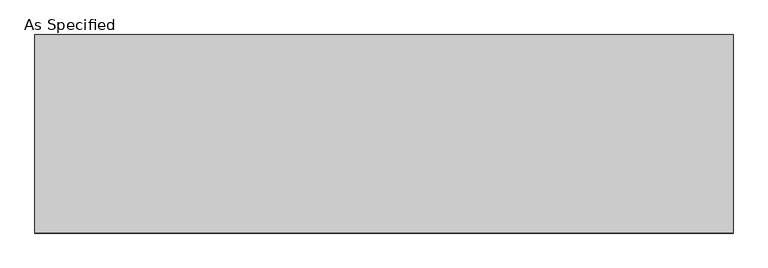
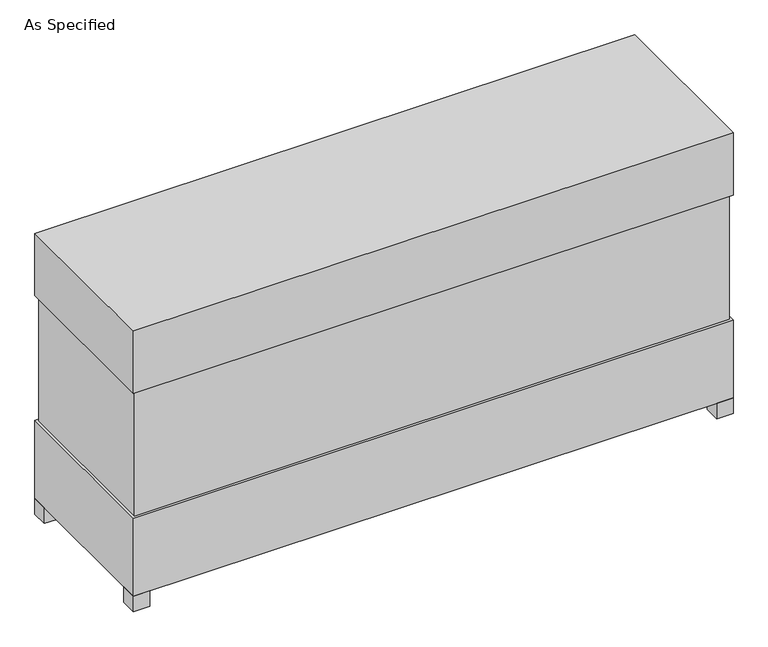
"""IFC4 building model written with IfcOpenShell, lengths in millimetres: proxy geometry, As Specified."""

from ifc_helpers import new_model, si_unit, frame, origin, origin_with_axes, place, context, project, spatial, polyline, outline, extrude, source, transform, mapped, element, save


def as_specified_3bed8170(model_context):
    return source(origin(), model_context, "Body", "SweptSolid", [
        extrude(outline(polyline([(1373.1875, 382.5875), (1373.1875, -382.5875), (-1373.1875, -382.5875), (-1373.1875, 382.5875), (1373.1875, 382.5875)])), frame((0.0, 0.0, 457.2), z_axis=(0.0, 0.0, 1.0), x_axis=(1.0, 0.0, 0.0)), (0.0, 0.0, 1.0), 609.6),
        extrude(outline(polyline([(1384.3, 393.7), (1384.3, -393.7), (-1384.3, -393.7), (-1384.3, 393.7), (1384.3, 393.7)])), frame((0.0, 0.0, 1066.8), z_axis=(0.0, 0.0, 1.0), x_axis=(1.0, 0.0, 0.0)), (0.0, 0.0, 1.0), 304.8),
        extrude(outline(polyline([(1270.0, 228.6), (1270.0, 152.4), (1193.8, 152.4), (1193.8, 228.6), (1270.0, 228.6)])), frame((0.0, 0.0, 50.8), z_axis=(0.0, 0.0, 1.0), x_axis=(1.0, 0.0, 0.0)), (0.0, 0.0, 1.0), 25.4),
        extrude(outline(polyline([(1270.0, -228.6), (1193.8, -228.6), (1193.8, -152.4), (1270.0, -152.4), (1270.0, -228.6)])), frame((0.0, 0.0, 50.8), z_axis=(0.0, 0.0, 1.0), x_axis=(1.0, 0.0, 0.0)), (0.0, 0.0, 1.0), 25.4),
        extrude(outline(polyline([(-1308.1, 393.7), (-1308.1, 317.5), (-1384.3, 317.5), (-1384.3, 393.7), (-1308.1, 393.7)])), origin_with_axes(), (0.0, 0.0, 1.0), 76.2),
        extrude(outline(polyline([(1384.3, 393.7), (1384.3, 317.5), (1308.1, 317.5), (1308.1, 393.7), (1384.3, 393.7)])), origin_with_axes(), (0.0, 0.0, 1.0), 76.2),
        extrude(outline(polyline([(1384.3, -317.5), (1384.3, -393.7), (1308.1, -393.7), (1308.1, -317.5), (1384.3, -317.5)])), origin_with_axes(), (0.0, 0.0, 1.0), 76.2),
        extrude(outline(polyline([(-1308.1, -317.5), (-1308.1, -393.7), (-1384.3, -393.7), (-1384.3, -317.5), (-1308.1, -317.5)])), origin_with_axes(), (0.0, 0.0, 1.0), 76.2),
        extrude(outline(polyline([(1384.3, 393.7), (1384.3, -393.7), (-1384.3, -393.7), (-1384.3, 393.7), (1384.3, 393.7)])), frame((0.0, 0.0, 76.2), z_axis=(0.0, 0.0, 1.0), x_axis=(1.0, 0.0, 0.0)), (0.0, 0.0, 1.0), 381.0),
    ])


if __name__ == "__main__":
    model = new_model("IFC4")
    model_context = context("Model", 3, world=origin())
    ifc_project = project(units=[si_unit("LENGTHUNIT", "METRE", prefix="MILLI")], contexts=[model_context])
    site = spatial("IfcSite", under=ifc_project)
    building = spatial("IfcBuilding", under=site)
    placement = place(None, origin())
    as_specified_shape = as_specified_3bed8170(model_context)
    element("IfcBuildingElementProxy", 1, Name="As Specified", ObjectType="As Specified", at=placement, inside=building, context=model_context, shape_type="MappedRepresentation", body=[
        mapped(as_specified_shape, transform((0.0, 0.0, 0.0), x_axis=(1.0, 0.0, 0.0), y_axis=(0.0, 1.0, 0.0), z_axis=(0.0, 0.0, 1.0))),
    ])
    save(model, "model.ifc")
